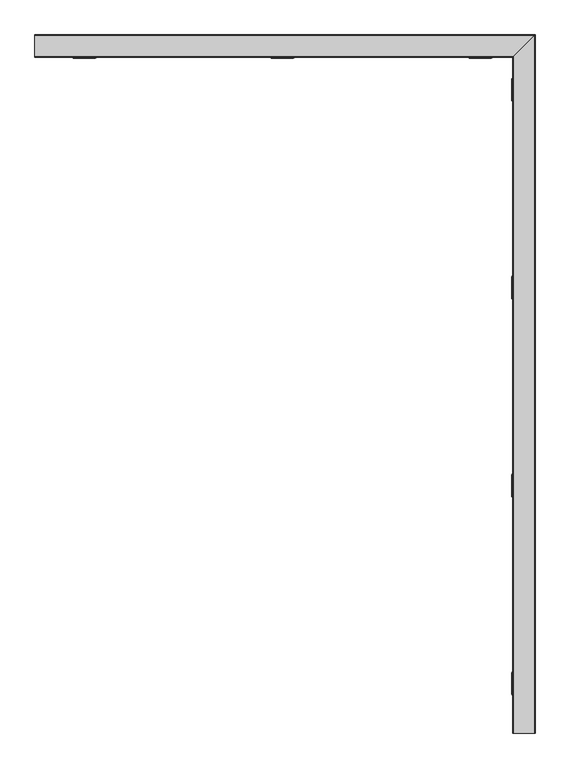
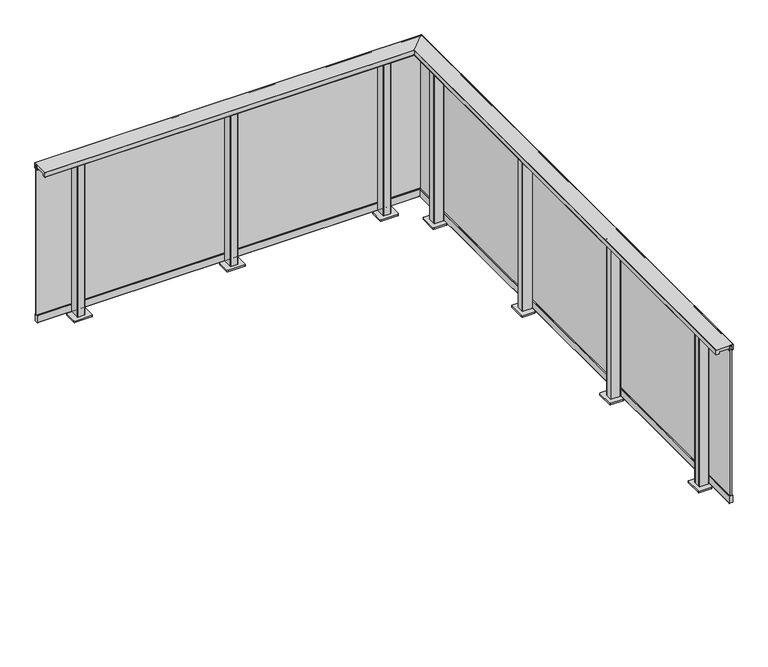
"""IFC4 building model written with IfcOpenShell, lengths in millimetres: railing geometry."""

from ifc_helpers import new_model, si_unit, point, frame, frame_2d, origin, origin_with_axes, place, context, project, spatial, polyline, circle_curve, ellipse_curve, trimmed, segment, composite_curve, outline, extrude, faceted_brep, source, transform, mapped, element, save
from ifc_brep_helpers import plane_surface, cylinder_surface, revolved_surface, advanced_brep


def railing_342966b4(model_context):
    return source(origin(), model_context, "Body", "SolidModel", [
        advanced_brep(
        [(14305.9819967, -14629.5008183, 1100.0), (14305.4819967, -14629.5008183, 1099.5), (14305.4819967, -14629.5008183, 1068.5), (14305.9819967, -14629.5008183, 1068.0), (14325.4819967, -14629.5008183, 1068.0), (14325.4819967, -14629.5008183, 1081.0), (14391.4819967, -14629.5008183, 1081.0), (14391.4819967, -14629.5008183, 1068.0), (14394.2819967, -14629.5008183, 1068.0), (14394.2819967, -14629.5008183, 1069.2), (14393.4819967, -14629.5008183, 1069.2), (14393.4819967, -14629.5008183, 1097.5), (14393.9819967, -14629.5008183, 1098.0), (14412.9819967, -14629.5008183, 1098.0), (14413.4819967, -14629.5008183, 1097.5), (14413.4819967, -14629.5008183, 1069.2), (14412.6819967, -14629.5008183, 1069.2), (14412.6819967, -14629.5008183, 1068.0), (14416.9819967, -14629.5008183, 1068.0), (14417.4819967, -14629.5008183, 1068.5), (14417.4819967, -14629.5008183, 1099.5), (14416.9819967, -14629.5008183, 1100.0), (14305.9819967, -11214.5008183, 1100.0), (14305.4819967, -11215.0008183, 1099.5), (14305.4819967, -11215.0008183, 1068.5), (14305.9819967, -11214.5008183, 1068.0), (14325.4819967, -11195.0008183, 1068.0), (14325.4819967, -11195.0008183, 1081.0), (14391.4819967, -11129.0008183, 1081.0), (14391.4819967, -11129.0008183, 1068.0), (14394.2819967, -11126.2008183, 1068.0), (14394.2819967, -11126.2008183, 1069.2), (14393.4819967, -11127.0008183, 1069.2), (14393.4819967, -11127.0008183, 1097.5), (14393.9819967, -11126.5008183, 1098.0), (14412.9819967, -11107.5008183, 1098.0), (14413.4819967, -11107.0008183, 1097.5), (14413.4819967, -11107.0008183, 1069.2), (14412.6819967, -11107.8008183, 1069.2), (14412.6819967, -11107.8008183, 1068.0), (14416.9819967, -11103.5008183, 1068.0), (14417.4819967, -11103.0008183, 1068.5), (14417.4819967, -11103.0008183, 1099.5), (14416.9819967, -11103.5008183, 1100.0), (11890.9819967, -11214.5008183, 1100.0), (11890.9819967, -11103.5008183, 1100.0), (11890.9819967, -11103.0008183, 1099.5), (11890.9819967, -11103.0008183, 1068.5), (11890.9819967, -11103.5008183, 1068.0), (11890.9819967, -11107.8008183, 1068.0), (11890.9819967, -11107.8008183, 1069.2), (11890.9819967, -11107.0008183, 1069.2), (11890.9819967, -11107.0008183, 1097.5), (11890.9819967, -11107.5008183, 1098.0), (11890.9819967, -11126.5008183, 1098.0), (11890.9819967, -11127.0008183, 1097.5), (11890.9819967, -11127.0008183, 1069.2), (11890.9819967, -11126.2008183, 1069.2), (11890.9819967, -11126.2008183, 1068.0), (11890.9819967, -11129.0008183, 1068.0), (11890.9819967, -11129.0008183, 1081.0), (11890.9819967, -11195.0008183, 1081.0), (11890.9819967, -11195.0008183, 1068.0), (11890.9819967, -11214.5008183, 1068.0), (11890.9819967, -11215.0008183, 1068.5), (11890.9819967, -11215.0008183, 1099.5)],
        [
            (0, 1, circle_curve(frame((14305.9819967, -14629.5008183, 1099.5), z_axis=(0.0, -1.0, 0.0), x_axis=(1.0, 0.0, 0.0)), 0.5)),
            (1, 2),
            (2, 3, circle_curve(frame((14305.9819967, -14629.5008183, 1068.5), z_axis=(0.0, -1.0, 0.0), x_axis=(1.0, 0.0, 0.0)), 0.5)),
            (3, 4),
            (4, 5),
            (5, 6),
            (6, 7),
            (7, 8),
            (8, 9),
            (9, 10),
            (10, 11),
            (11, 12, circle_curve(frame((14393.9819967, -14629.5008183, 1097.5), z_axis=(0.0, 1.0, 0.0), x_axis=(1.0, 0.0, 0.0)), 0.5)),
            (12, 13),
            (13, 14, circle_curve(frame((14412.9819967, -14629.5008183, 1097.5), z_axis=(0.0, 1.0, 0.0), x_axis=(1.0, 0.0, 0.0)), 0.5)),
            (14, 15),
            (15, 16),
            (16, 17),
            (17, 18),
            (18, 19, circle_curve(frame((14416.9819967, -14629.5008183, 1068.5), z_axis=(0.0, -1.0, 0.0), x_axis=(1.0, 0.0, 0.0)), 0.5)),
            (19, 20),
            (20, 21, circle_curve(frame((14416.9819967, -14629.5008183, 1099.5), z_axis=(0.0, -1.0, 0.0), x_axis=(1.0, 0.0, 0.0)), 0.5)),
            (21, 0),
            (0, 22),
            (22, 23, ellipse_curve(frame((14305.9819967, -11214.5008183, 1099.5), z_axis=(0.7071067811865467, -0.7071067811865482, 0.0), x_axis=(-0.7071067811865482, -0.7071067811865469, 0.0)), 0.7071068, 0.5)),
            (23, 1),
            (23, 24),
            (24, 2),
            (24, 25, ellipse_curve(frame((14305.9819967, -11214.5008183, 1068.5), z_axis=(0.7071067811865467, -0.7071067811865482, 0.0), x_axis=(-0.7071067811865482, -0.7071067811865469, 0.0)), 0.7071068, 0.5)),
            (25, 3),
            (25, 26),
            (26, 4),
            (26, 27),
            (27, 5),
            (27, 28),
            (28, 6),
            (28, 29),
            (29, 7),
            (29, 30),
            (30, 8),
            (30, 31),
            (31, 9),
            (31, 32),
            (32, 10),
            (32, 33),
            (33, 11),
            (33, 34, ellipse_curve(frame((14393.9819967, -11126.5008183, 1097.5), z_axis=(-0.7071067811865467, 0.7071067811865482, 0.0), x_axis=(0.7071067811865482, 0.7071067811865469, 0.0)), 0.7071068, 0.5)),
            (34, 12),
            (34, 35),
            (35, 13),
            (35, 36, ellipse_curve(frame((14412.9819967, -11107.5008183, 1097.5), z_axis=(-0.7071067811865467, 0.7071067811865482, 0.0), x_axis=(0.7071067811865482, 0.7071067811865469, 0.0)), 0.7071068, 0.5)),
            (36, 14),
            (36, 37),
            (37, 15),
            (37, 38),
            (38, 16),
            (38, 39),
            (39, 17),
            (39, 40),
            (40, 18),
            (40, 41, ellipse_curve(frame((14416.9819967, -11103.5008183, 1068.5), z_axis=(0.7071067811865467, -0.7071067811865482, 0.0), x_axis=(-0.7071067811865482, -0.7071067811865469, 0.0)), 0.7071068, 0.5)),
            (41, 19),
            (41, 42),
            (42, 20),
            (42, 43, ellipse_curve(frame((14416.9819967, -11103.5008183, 1099.5), z_axis=(0.7071067811865467, -0.7071067811865482, 0.0), x_axis=(-0.7071067811865482, -0.7071067811865469, 0.0)), 0.7071068, 0.5)),
            (43, 21),
            (43, 22),
            (44, 45),
            (45, 46, circle_curve(frame((11890.9819967, -11103.5008183, 1099.5), z_axis=(-1.0, 0.0, 0.0), x_axis=(0.0, 1.0, 0.0)), 0.5)),
            (46, 47),
            (47, 48, circle_curve(frame((11890.9819967, -11103.5008183, 1068.5), z_axis=(-1.0, 0.0, 0.0), x_axis=(0.0, 1.0, 0.0)), 0.5)),
            (48, 49),
            (49, 50),
            (50, 51),
            (51, 52),
            (52, 53, circle_curve(frame((11890.9819967, -11107.5008183, 1097.5), z_axis=(1.0, 0.0, 0.0), x_axis=(0.0, 1.0, 0.0)), 0.5)),
            (53, 54),
            (54, 55, circle_curve(frame((11890.9819967, -11126.5008183, 1097.5), z_axis=(1.0, 0.0, 0.0), x_axis=(0.0, 1.0, 0.0)), 0.5)),
            (55, 56),
            (56, 57),
            (57, 58),
            (58, 59),
            (59, 60),
            (60, 61),
            (61, 62),
            (62, 63),
            (63, 64, circle_curve(frame((11890.9819967, -11214.5008183, 1068.5), z_axis=(-1.0, 0.0, 0.0), x_axis=(0.0, 1.0, 0.0)), 0.5)),
            (64, 65),
            (65, 44, circle_curve(frame((11890.9819967, -11214.5008183, 1099.5), z_axis=(-1.0, 0.0, 0.0), x_axis=(0.0, 1.0, 0.0)), 0.5)),
            (22, 44),
            (65, 23),
            (64, 24),
            (63, 25),
            (62, 26),
            (61, 27),
            (60, 28),
            (59, 29),
            (58, 30),
            (57, 31),
            (56, 32),
            (55, 33),
            (54, 34),
            (53, 35),
            (52, 36),
            (51, 37),
            (50, 38),
            (49, 39),
            (48, 40),
            (47, 41),
            (46, 42),
            (45, 43),
        ],
        [
            plane_surface(frame((14358.4819967, -14629.5008183, 1100.0), z_axis=(0.0, -1.0, 0.0), x_axis=(0.0, 0.0, 1.0))),
            cylinder_surface(frame((14305.9819967, -14629.5008183, 1099.5), z_axis=(0.0, -1.0, 0.0), x_axis=(1.0, 0.0, 0.0)), 0.5),
            plane_surface(frame((14305.4819967, -14629.5008183, 1099.5), z_axis=(-1.0, 0.0, 0.0), x_axis=(0.0, 1.0, 0.0))),
            cylinder_surface(frame((14305.9819967, -14629.5008183, 1068.5), z_axis=(0.0, -1.0, 0.0), x_axis=(1.0, 0.0, 0.0)), 0.5),
            plane_surface(frame((14305.9819967, -14629.5008183, 1068.0), z_axis=(0.0, 0.0, -1.0), x_axis=(0.0, 1.0, 0.0))),
            plane_surface(frame((14325.4819967, -14629.5008183, 1068.0), z_axis=(1.0, 0.0, 0.0), x_axis=(0.0, 1.0, 0.0))),
            plane_surface(frame((14325.4819967, -14629.5008183, 1081.0), z_axis=(0.0, 0.0, -1.0), x_axis=(0.0, 1.0, 0.0))),
            plane_surface(frame((14391.4819967, -14629.5008183, 1081.0), z_axis=(-1.0, 0.0, 0.0), x_axis=(0.0, 1.0, 0.0))),
            plane_surface(frame((14391.4819967, -14629.5008183, 1068.0), z_axis=(0.0, 0.0, -1.0), x_axis=(0.0, 1.0, 0.0))),
            plane_surface(frame((14394.2819967, -14629.5008183, 1068.0), z_axis=(1.0, 0.0, 0.0), x_axis=(0.0, 1.0, 0.0))),
            plane_surface(frame((14394.2819967, -14629.5008183, 1069.2), z_axis=(0.0, 0.0, 1.0), x_axis=(0.0, 1.0, 0.0))),
            plane_surface(frame((14393.4819967, -14629.5008183, 1069.2), z_axis=(1.0, 0.0, 0.0), x_axis=(0.0, 1.0, 0.0))),
            revolved_surface(polyline([(14394.4819967, -11126.000818286699, 1097.5), (14394.4819967, -14629.5008183, 1097.5)]), (14393.9819967, -14629.5008183, 1097.5), (0.0, 1.0, 0.0)),
            plane_surface(frame((14393.9819967, -14629.5008183, 1098.0), z_axis=(0.0, 0.0, -1.0), x_axis=(0.0, 1.0, 0.0))),
            revolved_surface(polyline([(14413.4819967, -11107.000818286699, 1097.5), (14413.4819967, -14629.5008183, 1097.5)]), (14412.9819967, -14629.5008183, 1097.5), (0.0, 1.0, 0.0)),
            plane_surface(frame((14413.4819967, -14629.5008183, 1097.5), z_axis=(-1.0, 0.0, 0.0), x_axis=(0.0, 1.0, 0.0))),
            plane_surface(frame((14413.4819967, -14629.5008183, 1069.2), z_axis=(0.0, 0.0, 1.0), x_axis=(0.0, 1.0, 0.0))),
            plane_surface(frame((14412.6819967, -14629.5008183, 1069.2), z_axis=(-1.0, 0.0, 0.0), x_axis=(0.0, 1.0, 0.0))),
            plane_surface(frame((14412.6819967, -14629.5008183, 1068.0), z_axis=(0.0, 0.0, -1.0), x_axis=(0.0, 1.0, 0.0))),
            cylinder_surface(frame((14416.9819967, -14629.5008183, 1068.5), z_axis=(0.0, -1.0, 0.0), x_axis=(1.0, 0.0, 0.0)), 0.5),
            plane_surface(frame((14417.4819967, -14629.5008183, 1068.5), z_axis=(1.0, 0.0, 0.0), x_axis=(0.0, 1.0, 0.0))),
            cylinder_surface(frame((14416.9819967, -14629.5008183, 1099.5), z_axis=(0.0, -1.0, 0.0), x_axis=(1.0, 0.0, 0.0)), 0.5),
            plane_surface(frame((14416.9819967, -14629.5008183, 1100.0), z_axis=(0.0, 0.0, 1.0), x_axis=(0.0, 1.0, 0.0))),
            plane_surface(frame((11890.9819967, -11162.0008183, 1100.0), z_axis=(-1.0, 0.0, 0.0), x_axis=(0.0, -1.0, 0.0))),
            cylinder_surface(frame((14358.4819967, -11214.5008183, 1099.5), z_axis=(1.0, 0.0, 0.0), x_axis=(0.0, 1.0, 0.0)), 0.5),
            plane_surface(frame((14305.4819967, -11215.0008183, 1099.5), z_axis=(0.0, -1.0, 0.0), x_axis=(-1.0, 0.0, 0.0))),
            cylinder_surface(frame((14358.4819967, -11214.5008183, 1068.5), z_axis=(1.0, 0.0, 0.0), x_axis=(0.0, 1.0, 0.0)), 0.5),
            plane_surface(frame((14305.9819967, -11214.5008183, 1068.0), z_axis=(0.0, 0.0, -1.0), x_axis=(-1.0, 0.0, 0.0))),
            plane_surface(frame((14325.4819967, -11195.0008183, 1068.0), z_axis=(0.0, 1.0, 0.0), x_axis=(-1.0, 0.0, 0.0))),
            plane_surface(frame((14325.4819967, -11195.0008183, 1081.0), z_axis=(0.0, 0.0, -1.0), x_axis=(-1.0, 0.0, 0.0))),
            plane_surface(frame((14391.4819967, -11129.0008183, 1081.0), z_axis=(0.0, -1.0, 0.0), x_axis=(-1.0, 0.0, 0.0))),
            plane_surface(frame((14391.4819967, -11129.0008183, 1068.0), z_axis=(0.0, 0.0, -1.0), x_axis=(-1.0, 0.0, 0.0))),
            plane_surface(frame((14394.2819967, -11126.2008183, 1068.0), z_axis=(0.0, 1.0, 0.0), x_axis=(-1.0, 0.0, 0.0))),
            plane_surface(frame((14394.2819967, -11126.2008183, 1069.2), z_axis=(0.0, 0.0, 1.0), x_axis=(-1.0, 0.0, 0.0))),
            plane_surface(frame((14393.4819967, -11127.0008183, 1069.2), z_axis=(0.0, 1.0, 0.0), x_axis=(-1.0, 0.0, 0.0))),
            revolved_surface(polyline([(11890.9819967, -11126.0008183, 1097.5), (14394.481996713303, -11126.0008183, 1097.5)]), (14358.4819967, -11126.5008183, 1097.5), (-1.0, 0.0, 0.0)),
            plane_surface(frame((14393.9819967, -11126.5008183, 1098.0), z_axis=(0.0, 0.0, -1.0), x_axis=(-1.0, 0.0, 0.0))),
            revolved_surface(polyline([(11890.9819967, -11107.0008183, 1097.5), (14413.481996713303, -11107.0008183, 1097.5)]), (14358.4819967, -11107.5008183, 1097.5), (-1.0, 0.0, 0.0)),
            plane_surface(frame((14413.4819967, -11107.0008183, 1097.5), z_axis=(0.0, -1.0, 0.0), x_axis=(-1.0, 0.0, 0.0))),
            plane_surface(frame((14413.4819967, -11107.0008183, 1069.2), z_axis=(0.0, 0.0, 1.0), x_axis=(-1.0, 0.0, 0.0))),
            plane_surface(frame((14412.6819967, -11107.8008183, 1069.2), z_axis=(0.0, -1.0, 0.0), x_axis=(-1.0, 0.0, 0.0))),
            plane_surface(frame((14412.6819967, -11107.8008183, 1068.0), z_axis=(0.0, 0.0, -1.0), x_axis=(-1.0, 0.0, 0.0))),
            cylinder_surface(frame((14358.4819967, -11103.5008183, 1068.5), z_axis=(1.0, 0.0, 0.0), x_axis=(0.0, 1.0, 0.0)), 0.5),
            plane_surface(frame((14417.4819967, -11103.0008183, 1068.5), z_axis=(0.0, 1.0, 0.0), x_axis=(-1.0, 0.0, 0.0))),
            cylinder_surface(frame((14358.4819967, -11103.5008183, 1099.5), z_axis=(1.0, 0.0, 0.0), x_axis=(0.0, 1.0, 0.0)), 0.5),
            plane_surface(frame((14416.9819967, -11103.5008183, 1100.0), z_axis=(0.0, 0.0, 1.0), x_axis=(-1.0, 0.0, 0.0))),
        ],
        [
            (0, [[1, 2, 3, 4, 5, 6, 7, 8, 9, 10, 11, 12, 13, 14, 15, 16, 17, 18, 19, 20, 21, 22]]),
            (1, [[-1, 23, 24, 25]]),
            (2, [[-2, -25, 26, 27]]),
            (3, [[-3, -27, 28, 29]]),
            (4, [[-4, -29, 30, 31]]),
            (5, [[-5, -31, 32, 33]]),
            (6, [[-6, -33, 34, 35]]),
            (7, [[-7, -35, 36, 37]]),
            (8, [[-8, -37, 38, 39]]),
            (9, [[-9, -39, 40, 41]]),
            (10, [[-10, -41, 42, 43]]),
            (11, [[-11, -43, 44, 45]]),
            (12, [[-12, -45, 46, 47]]),
            (13, [[-13, -47, 48, 49]]),
            (14, [[-14, -49, 50, 51]]),
            (15, [[-15, -51, 52, 53]]),
            (16, [[-16, -53, 54, 55]]),
            (17, [[-17, -55, 56, 57]]),
            (18, [[-18, -57, 58, 59]]),
            (19, [[-19, -59, 60, 61]]),
            (20, [[-20, -61, 62, 63]]),
            (21, [[-21, -63, 64, 65]]),
            (22, [[-22, -65, 66, -23]]),
            (23, [[67, 68, 69, 70, 71, 72, 73, 74, 75, 76, 77, 78, 79, 80, 81, 82, 83, 84, 85, 86, 87, 88]]),
            (24, [[-24, 89, -88, 90]]),
            (25, [[-26, -90, -87, 91]]),
            (26, [[-28, -91, -86, 92]]),
            (27, [[-30, -92, -85, 93]]),
            (28, [[-32, -93, -84, 94]]),
            (29, [[-34, -94, -83, 95]]),
            (30, [[-36, -95, -82, 96]]),
            (31, [[-38, -96, -81, 97]]),
            (32, [[-40, -97, -80, 98]]),
            (33, [[-42, -98, -79, 99]]),
            (34, [[-44, -99, -78, 100]]),
            (35, [[-46, -100, -77, 101]]),
            (36, [[-48, -101, -76, 102]]),
            (37, [[-50, -102, -75, 103]]),
            (38, [[-52, -103, -74, 104]]),
            (39, [[-54, -104, -73, 105]]),
            (40, [[-56, -105, -72, 106]]),
            (41, [[-58, -106, -71, 107]]),
            (42, [[-60, -107, -70, 108]]),
            (43, [[-62, -108, -69, 109]]),
            (44, [[-64, -109, -68, 110]]),
            (45, [[-66, -110, -67, -89]]),
        ],
    ),
        faceted_brep([(14407.4819967, -14629.5008183, 1090.0), (14399.4819967, -14629.5008183, 1090.0), (14399.4819967, -14629.5008183, 60.0), (14407.4819967, -14629.5008183, 60.0), (14407.4819967, -11113.0008183, 1090.0), (14399.4819967, -11121.0008183, 1090.0), (14399.4819967, -11121.0008183, 60.0), (14407.4819967, -11113.0008183, 60.0), (11890.9819967, -11113.0008183, 1090.0), (11890.9819967, -11113.0008183, 60.0), (11890.9819967, -11121.0008183, 60.0), (11890.9819967, -11121.0008183, 1090.0)], [[[0, 1, 2, 3]], [[1, 0, 4, 5]], [[2, 1, 5, 6]], [[3, 2, 6, 7]], [[0, 3, 7, 4]], [[8, 9, 10, 11]], [[5, 4, 8, 11]], [[6, 5, 11, 10]], [[7, 6, 10, 9]], [[4, 7, 9, 8]]]),
        faceted_brep([(14394.1692541, -14629.5008183, 1067.2160621), (14393.1441664, -14629.5008183, 1067.2160621), (14393.1441664, -14629.5008183, 1065.6627783), (14399.4819967, -14629.5008183, 1063.8454347), (14399.4819967, -14629.5008183, 1074.0), (14394.1692541, -14629.5008183, 1076.1464874), (14394.1692541, -11126.313561, 1067.2160621), (14393.1441664, -11127.3386487, 1067.2160621), (14393.1441664, -11127.3386487, 1065.6627783), (14399.4819967, -11121.0008183, 1063.8454347), (14399.4819967, -11121.0008183, 1074.0), (14394.1692541, -11126.313561, 1076.1464874), (11890.9819967, -11126.313561, 1067.2160621), (11890.9819967, -11126.313561, 1076.1464874), (11890.9819967, -11121.0008183, 1074.0), (11890.9819967, -11121.0008183, 1063.8454347), (11890.9819967, -11127.3386487, 1065.6627783), (11890.9819967, -11127.3386487, 1067.2160621)], [[[0, 1, 2, 3, 4, 5]], [[1, 0, 6, 7]], [[2, 1, 7, 8]], [[3, 2, 8, 9]], [[4, 3, 9, 10]], [[5, 4, 10, 11]], [[0, 5, 11, 6]], [[12, 13, 14, 15, 16, 17]], [[7, 6, 12, 17]], [[8, 7, 17, 16]], [[9, 8, 16, 15]], [[10, 9, 15, 14]], [[11, 10, 14, 13]], [[6, 11, 13, 12]]]),
        faceted_brep([(14412.7947394, -14629.5008183, 1067.2160621), (14412.7947394, -14629.5008183, 1076.1464874), (14407.4819967, -14629.5008183, 1074.0), (14407.4819967, -14629.5008183, 1063.8454347), (14413.8198271, -14629.5008183, 1065.6627783), (14413.8198271, -14629.5008183, 1067.2160621), (14412.7947394, -11107.6880757, 1067.2160621), (14412.7947394, -11107.6880757, 1076.1464874), (14407.4819967, -11113.0008183, 1074.0), (14407.4819967, -11113.0008183, 1063.8454347), (14413.8198271, -11106.662988, 1065.6627783), (14413.8198271, -11106.662988, 1067.2160621), (11890.9819967, -11107.6880757, 1067.2160621), (11890.9819967, -11106.662988, 1067.2160621), (11890.9819967, -11106.662988, 1065.6627783), (11890.9819967, -11113.0008183, 1063.8454347), (11890.9819967, -11113.0008183, 1074.0), (11890.9819967, -11107.6880757, 1076.1464874)], [[[0, 1, 2, 3, 4, 5]], [[1, 0, 6, 7]], [[2, 1, 7, 8]], [[3, 2, 8, 9]], [[4, 3, 9, 10]], [[5, 4, 10, 11]], [[0, 5, 11, 6]], [[12, 13, 14, 15, 16, 17]], [[7, 6, 12, 17]], [[8, 7, 17, 16]], [[9, 8, 16, 15]], [[10, 9, 15, 14]], [[11, 10, 14, 13]], [[6, 11, 13, 12]]]),
        advanced_brep(
        [(14414.9819967, -14629.5008183, 10.0), (14415.4819967, -14629.5008183, 10.5), (14415.4819967, -14629.5008183, 59.5), (14414.9819967, -14629.5008183, 60.0), (14391.9819967, -14629.5008183, 60.0), (14391.4819967, -14629.5008183, 59.5), (14391.4819967, -14629.5008183, 10.5), (14391.9819967, -14629.5008183, 10.0), (14414.9819967, -11105.5008183, 10.0), (14415.4819967, -11105.0008183, 10.5), (14415.4819967, -11105.0008183, 59.5), (14414.9819967, -11105.5008183, 60.0), (14391.9819967, -11128.5008183, 60.0), (14391.4819967, -11129.0008183, 59.5), (14391.4819967, -11129.0008183, 10.5), (14391.9819967, -11128.5008183, 10.0), (11890.9819967, -11105.5008183, 10.0), (11890.9819967, -11128.5008183, 10.0), (11890.9819967, -11129.0008183, 10.5), (11890.9819967, -11129.0008183, 59.5), (11890.9819967, -11128.5008183, 60.0), (11890.9819967, -11105.5008183, 60.0), (11890.9819967, -11105.0008183, 59.5), (11890.9819967, -11105.0008183, 10.5)],
        [
            (0, 1, circle_curve(frame((14414.9819967, -14629.5008183, 10.5), z_axis=(0.0, -1.0, 0.0), x_axis=(1.0, 0.0, 0.0)), 0.5)),
            (1, 2),
            (2, 3, circle_curve(frame((14414.9819967, -14629.5008183, 59.5), z_axis=(0.0, -1.0, 0.0), x_axis=(1.0, 0.0, 0.0)), 0.5)),
            (3, 4),
            (4, 5, circle_curve(frame((14391.9819967, -14629.5008183, 59.5), z_axis=(0.0, -1.0, 0.0), x_axis=(1.0, 0.0, 0.0)), 0.5)),
            (5, 6),
            (6, 7, circle_curve(frame((14391.9819967, -14629.5008183, 10.5), z_axis=(0.0, -1.0, 0.0), x_axis=(1.0, 0.0, 0.0)), 0.5)),
            (7, 0),
            (0, 8),
            (8, 9, ellipse_curve(frame((14414.9819967, -11105.5008183, 10.5), z_axis=(0.7071067811865467, -0.7071067811865482, 0.0), x_axis=(-0.7071067811865482, -0.7071067811865469, 0.0)), 0.7071068, 0.5)),
            (9, 1),
            (9, 10),
            (10, 2),
            (10, 11, ellipse_curve(frame((14414.9819967, -11105.5008183, 59.5), z_axis=(0.7071067811865467, -0.7071067811865482, 0.0), x_axis=(-0.7071067811865482, -0.7071067811865469, 0.0)), 0.7071068, 0.5)),
            (11, 3),
            (11, 12),
            (12, 4),
            (12, 13, ellipse_curve(frame((14391.9819967, -11128.5008183, 59.5), z_axis=(0.7071067811865467, -0.7071067811865482, 0.0), x_axis=(-0.7071067811865482, -0.7071067811865469, 0.0)), 0.7071068, 0.5)),
            (13, 5),
            (13, 14),
            (14, 6),
            (14, 15, ellipse_curve(frame((14391.9819967, -11128.5008183, 10.5), z_axis=(0.7071067811865467, -0.7071067811865482, 0.0), x_axis=(-0.7071067811865482, -0.7071067811865469, 0.0)), 0.7071068, 0.5)),
            (15, 7),
            (15, 8),
            (16, 17),
            (17, 18, circle_curve(frame((11890.9819967, -11128.5008183, 10.5), z_axis=(-1.0, 0.0, 0.0), x_axis=(0.0, 1.0, 0.0)), 0.5)),
            (18, 19),
            (19, 20, circle_curve(frame((11890.9819967, -11128.5008183, 59.5), z_axis=(-1.0, 0.0, 0.0), x_axis=(0.0, 1.0, 0.0)), 0.5)),
            (20, 21),
            (21, 22, circle_curve(frame((11890.9819967, -11105.5008183, 59.5), z_axis=(-1.0, 0.0, 0.0), x_axis=(0.0, 1.0, 0.0)), 0.5)),
            (22, 23),
            (23, 16, circle_curve(frame((11890.9819967, -11105.5008183, 10.5), z_axis=(-1.0, 0.0, 0.0), x_axis=(0.0, 1.0, 0.0)), 0.5)),
            (8, 16),
            (23, 9),
            (22, 10),
            (21, 11),
            (20, 12),
            (19, 13),
            (18, 14),
            (17, 15),
        ],
        [
            plane_surface(frame((14403.4819967, -14629.5008183, 10.0), z_axis=(0.0, -1.0, 0.0), x_axis=(0.0, 0.0, 1.0))),
            cylinder_surface(frame((14414.9819967, -14629.5008183, 10.5), z_axis=(0.0, -1.0, 0.0), x_axis=(1.0, 0.0, 0.0)), 0.5),
            plane_surface(frame((14415.4819967, -14629.5008183, 10.5), z_axis=(1.0, 0.0, 0.0), x_axis=(0.0, 1.0, 0.0))),
            cylinder_surface(frame((14414.9819967, -14629.5008183, 59.5), z_axis=(0.0, -1.0, 0.0), x_axis=(1.0, 0.0, 0.0)), 0.5),
            plane_surface(frame((14414.9819967, -14629.5008183, 60.0), z_axis=(0.0, 0.0, 1.0), x_axis=(0.0, 1.0, 0.0))),
            cylinder_surface(frame((14391.9819967, -14629.5008183, 59.5), z_axis=(0.0, -1.0, 0.0), x_axis=(1.0, 0.0, 0.0)), 0.5),
            plane_surface(frame((14391.4819967, -14629.5008183, 59.5), z_axis=(-1.0, 0.0, 0.0), x_axis=(0.0, 1.0, 0.0))),
            cylinder_surface(frame((14391.9819967, -14629.5008183, 10.5), z_axis=(0.0, -1.0, 0.0), x_axis=(1.0, 0.0, 0.0)), 0.5),
            plane_surface(frame((14391.9819967, -14629.5008183, 10.0), z_axis=(0.0, 0.0, -1.0), x_axis=(0.0, 1.0, 0.0))),
            plane_surface(frame((11890.9819967, -11117.0008183, 10.0), z_axis=(-1.0, 0.0, 0.0), x_axis=(0.0, -1.0, 0.0))),
            cylinder_surface(frame((14403.4819967, -11105.5008183, 10.5), z_axis=(1.0, 0.0, 0.0), x_axis=(0.0, 1.0, 0.0)), 0.5),
            plane_surface(frame((14415.4819967, -11105.0008183, 10.5), z_axis=(0.0, 1.0, 0.0), x_axis=(-1.0, 0.0, 0.0))),
            cylinder_surface(frame((14403.4819967, -11105.5008183, 59.5), z_axis=(1.0, 0.0, 0.0), x_axis=(0.0, 1.0, 0.0)), 0.5),
            plane_surface(frame((14414.9819967, -11105.5008183, 60.0), z_axis=(0.0, 0.0, 1.0), x_axis=(-1.0, 0.0, 0.0))),
            cylinder_surface(frame((14403.4819967, -11128.5008183, 59.5), z_axis=(1.0, 0.0, 0.0), x_axis=(0.0, 1.0, 0.0)), 0.5),
            plane_surface(frame((14391.4819967, -11129.0008183, 59.5), z_axis=(0.0, -1.0, 0.0), x_axis=(-1.0, 0.0, 0.0))),
            cylinder_surface(frame((14403.4819967, -11128.5008183, 10.5), z_axis=(1.0, 0.0, 0.0), x_axis=(0.0, 1.0, 0.0)), 0.5),
            plane_surface(frame((14391.9819967, -11128.5008183, 10.0), z_axis=(0.0, 0.0, -1.0), x_axis=(-1.0, 0.0, 0.0))),
        ],
        [
            (0, [[1, 2, 3, 4, 5, 6, 7, 8]]),
            (1, [[-1, 9, 10, 11]]),
            (2, [[-2, -11, 12, 13]]),
            (3, [[-3, -13, 14, 15]]),
            (4, [[-4, -15, 16, 17]]),
            (5, [[-5, -17, 18, 19]]),
            (6, [[-6, -19, 20, 21]]),
            (7, [[-7, -21, 22, 23]]),
            (8, [[-8, -23, 24, -9]]),
            (9, [[25, 26, 27, 28, 29, 30, 31, 32]]),
            (10, [[-10, 33, -32, 34]]),
            (11, [[-12, -34, -31, 35]]),
            (12, [[-14, -35, -30, 36]]),
            (13, [[-16, -36, -29, 37]]),
            (14, [[-18, -37, -28, 38]]),
            (15, [[-20, -38, -27, 39]]),
            (16, [[-22, -39, -26, 40]]),
            (17, [[-24, -40, -25, -33]]),
        ],
    ),
        extrude(outline(composite_curve([segment(trimmed(circle_curve(frame_2d((12163.5245384, -11192.0008183)), 2.5), [point((12166.0245384, -11192.0008183))], [point((12163.5245384, -11194.5008183))], False, "CARTESIAN"), True, "CONTINUOUS"), segment(polyline([(12163.5245384, -11194.5008183), (12118.5245384, -11194.5008183)]), True, "CONTINUOUS"), segment(trimmed(circle_curve(frame_2d((12118.5245384, -11192.0008183)), 2.5), [point((12118.5245384, -11194.5008183))], [point((12116.0245384, -11192.0008183))], False, "CARTESIAN"), True, "CONTINUOUS"), segment(polyline([(12116.0245384, -11192.0008183), (12116.0245384, -11132.0008183)]), True, "CONTINUOUS"), segment(trimmed(circle_curve(frame_2d((12118.5245384, -11132.0008183)), 2.5), [point((12116.0245384, -11132.0008183))], [point((12118.5245384, -11129.5008183))], False, "CARTESIAN"), True, "CONTINUOUS"), segment(polyline([(12118.5245384, -11129.5008183), (12163.5245384, -11129.5008183)]), True, "CONTINUOUS"), segment(trimmed(circle_curve(frame_2d((12163.5245384, -11132.0008183)), 2.5), [point((12163.5245384, -11129.5008183))], [point((12166.0245384, -11132.0008183))], False, "CARTESIAN"), True, "CONTINUOUS"), segment(polyline([(12166.0245384, -11132.0008183), (12166.0245384, -11192.0008183)]), True, "CONTINUOUS")], self_intersect=False)), frame((0.0, 0.0, 10.0), z_axis=(0.0, 0.0, 1.0), x_axis=(1.0, 0.0, 0.0)), (0.0, 0.0, 1.0), 1081.0),
        extrude(outline(composite_curve([segment(trimmed(circle_curve(frame_2d((12195.9819967, -11214.6061483)), 5.0), [point((12200.9819967, -11214.6061483))], [point((12195.9819967, -11219.6061483))], False, "CARTESIAN"), True, "CONTINUOUS"), segment(polyline([(12195.9819967, -11219.6061483), (12086.1755136, -11219.6061483)]), True, "CONTINUOUS"), segment(trimmed(circle_curve(frame_2d((12086.1755136, -11214.6061483)), 5.0), [point((12086.1755136, -11219.6061483))], [point((12081.1755136, -11214.6061483))], False, "CARTESIAN"), True, "CONTINUOUS"), segment(polyline([(12081.1755136, -11214.6061483), (12081.1755136, -11134.5008183)]), True, "CONTINUOUS"), segment(trimmed(circle_curve(frame_2d((12086.1755136, -11134.5008183)), 5.0), [point((12081.1755136, -11134.5008183))], [point((12086.1755136, -11129.5008183))], False, "CARTESIAN"), True, "CONTINUOUS"), segment(polyline([(12086.1755136, -11129.5008183), (12195.9819967, -11129.5008183)]), True, "CONTINUOUS"), segment(trimmed(circle_curve(frame_2d((12195.9819967, -11134.5008183)), 5.0), [point((12195.9819967, -11129.5008183))], [point((12200.9819967, -11134.5008183))], False, "CARTESIAN"), True, "CONTINUOUS"), segment(polyline([(12200.9819967, -11134.5008183), (12200.9819967, -11214.6061483)]), True, "CONTINUOUS")], self_intersect=False)), origin_with_axes(), (0.0, 0.0, 1.0), 10.0),
        extrude(outline(composite_curve([segment(trimmed(circle_curve(frame_2d((13163.5245384, -11192.0008183)), 2.5), [point((13166.0245384, -11192.0008183))], [point((13163.5245384, -11194.5008183))], False, "CARTESIAN"), True, "CONTINUOUS"), segment(polyline([(13163.5245384, -11194.5008183), (13118.5245384, -11194.5008183)]), True, "CONTINUOUS"), segment(trimmed(circle_curve(frame_2d((13118.5245384, -11192.0008183)), 2.5), [point((13118.5245384, -11194.5008183))], [point((13116.0245384, -11192.0008183))], False, "CARTESIAN"), True, "CONTINUOUS"), segment(polyline([(13116.0245384, -11192.0008183), (13116.0245384, -11132.0008183)]), True, "CONTINUOUS"), segment(trimmed(circle_curve(frame_2d((13118.5245384, -11132.0008183)), 2.5), [point((13116.0245384, -11132.0008183))], [point((13118.5245384, -11129.5008183))], False, "CARTESIAN"), True, "CONTINUOUS"), segment(polyline([(13118.5245384, -11129.5008183), (13163.5245384, -11129.5008183)]), True, "CONTINUOUS"), segment(trimmed(circle_curve(frame_2d((13163.5245384, -11132.0008183)), 2.5), [point((13163.5245384, -11129.5008183))], [point((13166.0245384, -11132.0008183))], False, "CARTESIAN"), True, "CONTINUOUS"), segment(polyline([(13166.0245384, -11132.0008183), (13166.0245384, -11192.0008183)]), True, "CONTINUOUS")], self_intersect=False)), frame((0.0, 0.0, 10.0), z_axis=(0.0, 0.0, 1.0), x_axis=(1.0, 0.0, 0.0)), (0.0, 0.0, 1.0), 1081.0),
        extrude(outline(composite_curve([segment(trimmed(circle_curve(frame_2d((13195.9819967, -11214.6061483)), 5.0), [point((13200.9819967, -11214.6061483))], [point((13195.9819967, -11219.6061483))], False, "CARTESIAN"), True, "CONTINUOUS"), segment(polyline([(13195.9819967, -11219.6061483), (13086.1755136, -11219.6061483)]), True, "CONTINUOUS"), segment(trimmed(circle_curve(frame_2d((13086.1755136, -11214.6061483)), 5.0), [point((13086.1755136, -11219.6061483))], [point((13081.1755136, -11214.6061483))], False, "CARTESIAN"), True, "CONTINUOUS"), segment(polyline([(13081.1755136, -11214.6061483), (13081.1755136, -11134.5008183)]), True, "CONTINUOUS"), segment(trimmed(circle_curve(frame_2d((13086.1755136, -11134.5008183)), 5.0), [point((13081.1755136, -11134.5008183))], [point((13086.1755136, -11129.5008183))], False, "CARTESIAN"), True, "CONTINUOUS"), segment(polyline([(13086.1755136, -11129.5008183), (13195.9819967, -11129.5008183)]), True, "CONTINUOUS"), segment(trimmed(circle_curve(frame_2d((13195.9819967, -11134.5008183)), 5.0), [point((13195.9819967, -11129.5008183))], [point((13200.9819967, -11134.5008183))], False, "CARTESIAN"), True, "CONTINUOUS"), segment(polyline([(13200.9819967, -11134.5008183), (13200.9819967, -11214.6061483)]), True, "CONTINUOUS")], self_intersect=False)), origin_with_axes(), (0.0, 0.0, 1.0), 10.0),
        extrude(outline(composite_curve([segment(trimmed(circle_curve(frame_2d((14163.5245384, -11192.0008183)), 2.5), [point((14166.0245384, -11192.0008183))], [point((14163.5245384, -11194.5008183))], False, "CARTESIAN"), True, "CONTINUOUS"), segment(polyline([(14163.5245384, -11194.5008183), (14118.5245384, -11194.5008183)]), True, "CONTINUOUS"), segment(trimmed(circle_curve(frame_2d((14118.5245384, -11192.0008183)), 2.5), [point((14118.5245384, -11194.5008183))], [point((14116.0245384, -11192.0008183))], False, "CARTESIAN"), True, "CONTINUOUS"), segment(polyline([(14116.0245384, -11192.0008183), (14116.0245384, -11132.0008183)]), True, "CONTINUOUS"), segment(trimmed(circle_curve(frame_2d((14118.5245384, -11132.0008183)), 2.5), [point((14116.0245384, -11132.0008183))], [point((14118.5245384, -11129.5008183))], False, "CARTESIAN"), True, "CONTINUOUS"), segment(polyline([(14118.5245384, -11129.5008183), (14163.5245384, -11129.5008183)]), True, "CONTINUOUS"), segment(trimmed(circle_curve(frame_2d((14163.5245384, -11132.0008183)), 2.5), [point((14163.5245384, -11129.5008183))], [point((14166.0245384, -11132.0008183))], False, "CARTESIAN"), True, "CONTINUOUS"), segment(polyline([(14166.0245384, -11132.0008183), (14166.0245384, -11192.0008183)]), True, "CONTINUOUS")], self_intersect=False)), frame((0.0, 0.0, 10.0), z_axis=(0.0, 0.0, 1.0), x_axis=(1.0, 0.0, 0.0)), (0.0, 0.0, 1.0), 1081.0),
        extrude(outline(composite_curve([segment(trimmed(circle_curve(frame_2d((14195.9819967, -11214.6061483)), 5.0), [point((14200.9819967, -11214.6061483))], [point((14195.9819967, -11219.6061483))], False, "CARTESIAN"), True, "CONTINUOUS"), segment(polyline([(14195.9819967, -11219.6061483), (14086.1755136, -11219.6061483)]), True, "CONTINUOUS"), segment(trimmed(circle_curve(frame_2d((14086.1755136, -11214.6061483)), 5.0), [point((14086.1755136, -11219.6061483))], [point((14081.1755136, -11214.6061483))], False, "CARTESIAN"), True, "CONTINUOUS"), segment(polyline([(14081.1755136, -11214.6061483), (14081.1755136, -11134.5008183)]), True, "CONTINUOUS"), segment(trimmed(circle_curve(frame_2d((14086.1755136, -11134.5008183)), 5.0), [point((14081.1755136, -11134.5008183))], [point((14086.1755136, -11129.5008183))], False, "CARTESIAN"), True, "CONTINUOUS"), segment(polyline([(14086.1755136, -11129.5008183), (14195.9819967, -11129.5008183)]), True, "CONTINUOUS"), segment(trimmed(circle_curve(frame_2d((14195.9819967, -11134.5008183)), 5.0), [point((14195.9819967, -11129.5008183))], [point((14200.9819967, -11134.5008183))], False, "CARTESIAN"), True, "CONTINUOUS"), segment(polyline([(14200.9819967, -11134.5008183), (14200.9819967, -11214.6061483)]), True, "CONTINUOUS")], self_intersect=False)), origin_with_axes(), (0.0, 0.0, 1.0), 10.0),
        extrude(outline(composite_curve([segment(trimmed(circle_curve(frame_2d((14328.4819967, -11402.04336)), 2.5), [point((14328.4819967, -11404.54336))], [point((14325.9819967, -11402.04336))], False, "CARTESIAN"), True, "CONTINUOUS"), segment(polyline([(14325.9819967, -11402.04336), (14325.9819967, -11357.04336)]), True, "CONTINUOUS"), segment(trimmed(circle_curve(frame_2d((14328.4819967, -11357.04336)), 2.5), [point((14325.9819967, -11357.04336))], [point((14328.4819967, -11354.54336))], False, "CARTESIAN"), True, "CONTINUOUS"), segment(polyline([(14328.4819967, -11354.54336), (14388.4819967, -11354.54336)]), True, "CONTINUOUS"), segment(trimmed(circle_curve(frame_2d((14388.4819967, -11357.04336)), 2.5), [point((14388.4819967, -11354.54336))], [point((14390.9819967, -11357.04336))], False, "CARTESIAN"), True, "CONTINUOUS"), segment(polyline([(14390.9819967, -11357.04336), (14390.9819967, -11402.04336)]), True, "CONTINUOUS"), segment(trimmed(circle_curve(frame_2d((14388.4819967, -11402.04336)), 2.5), [point((14390.9819967, -11402.04336))], [point((14388.4819967, -11404.54336))], False, "CARTESIAN"), True, "CONTINUOUS"), segment(polyline([(14388.4819967, -11404.54336), (14328.4819967, -11404.54336)]), True, "CONTINUOUS")], self_intersect=False)), frame((0.0, 0.0, 10.0), z_axis=(0.0, 0.0, 1.0), x_axis=(1.0, 0.0, 0.0)), (0.0, 0.0, 1.0), 1081.0),
        extrude(outline(composite_curve([segment(trimmed(circle_curve(frame_2d((14305.8766668, -11434.5008183)), 5.0), [point((14305.8766668, -11439.5008183))], [point((14300.8766668, -11434.5008183))], False, "CARTESIAN"), True, "CONTINUOUS"), segment(polyline([(14300.8766668, -11434.5008183), (14300.8766668, -11324.6943352)]), True, "CONTINUOUS"), segment(trimmed(circle_curve(frame_2d((14305.8766668, -11324.6943352)), 5.0), [point((14300.8766668, -11324.6943352))], [point((14305.8766668, -11319.6943352))], False, "CARTESIAN"), True, "CONTINUOUS"), segment(polyline([(14305.8766668, -11319.6943352), (14385.9819967, -11319.6943352)]), True, "CONTINUOUS"), segment(trimmed(circle_curve(frame_2d((14385.9819967, -11324.6943352)), 5.0), [point((14385.9819967, -11319.6943352))], [point((14390.9819967, -11324.6943352))], False, "CARTESIAN"), True, "CONTINUOUS"), segment(polyline([(14390.9819967, -11324.6943352), (14390.9819967, -11434.5008183)]), True, "CONTINUOUS"), segment(trimmed(circle_curve(frame_2d((14385.9819967, -11434.5008183)), 5.0), [point((14390.9819967, -11434.5008183))], [point((14385.9819967, -11439.5008183))], False, "CARTESIAN"), True, "CONTINUOUS"), segment(polyline([(14385.9819967, -11439.5008183), (14305.8766668, -11439.5008183)]), True, "CONTINUOUS")], self_intersect=False)), origin_with_axes(), (0.0, 0.0, 1.0), 10.0),
        extrude(outline(composite_curve([segment(trimmed(circle_curve(frame_2d((14328.4819967, -12402.04336)), 2.5), [point((14328.4819967, -12404.54336))], [point((14325.9819967, -12402.04336))], False, "CARTESIAN"), True, "CONTINUOUS"), segment(polyline([(14325.9819967, -12402.04336), (14325.9819967, -12357.04336)]), True, "CONTINUOUS"), segment(trimmed(circle_curve(frame_2d((14328.4819967, -12357.04336)), 2.5), [point((14325.9819967, -12357.04336))], [point((14328.4819967, -12354.54336))], False, "CARTESIAN"), True, "CONTINUOUS"), segment(polyline([(14328.4819967, -12354.54336), (14388.4819967, -12354.54336)]), True, "CONTINUOUS"), segment(trimmed(circle_curve(frame_2d((14388.4819967, -12357.04336)), 2.5), [point((14388.4819967, -12354.54336))], [point((14390.9819967, -12357.04336))], False, "CARTESIAN"), True, "CONTINUOUS"), segment(polyline([(14390.9819967, -12357.04336), (14390.9819967, -12402.04336)]), True, "CONTINUOUS"), segment(trimmed(circle_curve(frame_2d((14388.4819967, -12402.04336)), 2.5), [point((14390.9819967, -12402.04336))], [point((14388.4819967, -12404.54336))], False, "CARTESIAN"), True, "CONTINUOUS"), segment(polyline([(14388.4819967, -12404.54336), (14328.4819967, -12404.54336)]), True, "CONTINUOUS")], self_intersect=False)), frame((0.0, 0.0, 10.0), z_axis=(0.0, 0.0, 1.0), x_axis=(1.0, 0.0, 0.0)), (0.0, 0.0, 1.0), 1081.0),
        extrude(outline(composite_curve([segment(trimmed(circle_curve(frame_2d((14305.8766668, -12434.5008183)), 5.0), [point((14305.8766668, -12439.5008183))], [point((14300.8766668, -12434.5008183))], False, "CARTESIAN"), True, "CONTINUOUS"), segment(polyline([(14300.8766668, -12434.5008183), (14300.8766668, -12324.6943352)]), True, "CONTINUOUS"), segment(trimmed(circle_curve(frame_2d((14305.8766668, -12324.6943352)), 5.0), [point((14300.8766668, -12324.6943352))], [point((14305.8766668, -12319.6943352))], False, "CARTESIAN"), True, "CONTINUOUS"), segment(polyline([(14305.8766668, -12319.6943352), (14385.9819967, -12319.6943352)]), True, "CONTINUOUS"), segment(trimmed(circle_curve(frame_2d((14385.9819967, -12324.6943352)), 5.0), [point((14385.9819967, -12319.6943352))], [point((14390.9819967, -12324.6943352))], False, "CARTESIAN"), True, "CONTINUOUS"), segment(polyline([(14390.9819967, -12324.6943352), (14390.9819967, -12434.5008183)]), True, "CONTINUOUS"), segment(trimmed(circle_curve(frame_2d((14385.9819967, -12434.5008183)), 5.0), [point((14390.9819967, -12434.5008183))], [point((14385.9819967, -12439.5008183))], False, "CARTESIAN"), True, "CONTINUOUS"), segment(polyline([(14385.9819967, -12439.5008183), (14305.8766668, -12439.5008183)]), True, "CONTINUOUS")], self_intersect=False)), origin_with_axes(), (0.0, 0.0, 1.0), 10.0),
        extrude(outline(composite_curve([segment(trimmed(circle_curve(frame_2d((14328.4819967, -13402.04336)), 2.5), [point((14328.4819967, -13404.54336))], [point((14325.9819967, -13402.04336))], False, "CARTESIAN"), True, "CONTINUOUS"), segment(polyline([(14325.9819967, -13402.04336), (14325.9819967, -13357.04336)]), True, "CONTINUOUS"), segment(trimmed(circle_curve(frame_2d((14328.4819967, -13357.04336)), 2.5), [point((14325.9819967, -13357.04336))], [point((14328.4819967, -13354.54336))], False, "CARTESIAN"), True, "CONTINUOUS"), segment(polyline([(14328.4819967, -13354.54336), (14388.4819967, -13354.54336)]), True, "CONTINUOUS"), segment(trimmed(circle_curve(frame_2d((14388.4819967, -13357.04336)), 2.5), [point((14388.4819967, -13354.54336))], [point((14390.9819967, -13357.04336))], False, "CARTESIAN"), True, "CONTINUOUS"), segment(polyline([(14390.9819967, -13357.04336), (14390.9819967, -13402.04336)]), True, "CONTINUOUS"), segment(trimmed(circle_curve(frame_2d((14388.4819967, -13402.04336)), 2.5), [point((14390.9819967, -13402.04336))], [point((14388.4819967, -13404.54336))], False, "CARTESIAN"), True, "CONTINUOUS"), segment(polyline([(14388.4819967, -13404.54336), (14328.4819967, -13404.54336)]), True, "CONTINUOUS")], self_intersect=False)), frame((0.0, 0.0, 10.0), z_axis=(0.0, 0.0, 1.0), x_axis=(1.0, 0.0, 0.0)), (0.0, 0.0, 1.0), 1081.0),
        extrude(outline(composite_curve([segment(trimmed(circle_curve(frame_2d((14305.8766668, -13434.5008183)), 5.0), [point((14305.8766668, -13439.5008183))], [point((14300.8766668, -13434.5008183))], False, "CARTESIAN"), True, "CONTINUOUS"), segment(polyline([(14300.8766668, -13434.5008183), (14300.8766668, -13324.6943352)]), True, "CONTINUOUS"), segment(trimmed(circle_curve(frame_2d((14305.8766668, -13324.6943352)), 5.0), [point((14300.8766668, -13324.6943352))], [point((14305.8766668, -13319.6943352))], False, "CARTESIAN"), True, "CONTINUOUS"), segment(polyline([(14305.8766668, -13319.6943352), (14385.9819967, -13319.6943352)]), True, "CONTINUOUS"), segment(trimmed(circle_curve(frame_2d((14385.9819967, -13324.6943352)), 5.0), [point((14385.9819967, -13319.6943352))], [point((14390.9819967, -13324.6943352))], False, "CARTESIAN"), True, "CONTINUOUS"), segment(polyline([(14390.9819967, -13324.6943352), (14390.9819967, -13434.5008183)]), True, "CONTINUOUS"), segment(trimmed(circle_curve(frame_2d((14385.9819967, -13434.5008183)), 5.0), [point((14390.9819967, -13434.5008183))], [point((14385.9819967, -13439.5008183))], False, "CARTESIAN"), True, "CONTINUOUS"), segment(polyline([(14385.9819967, -13439.5008183), (14305.8766668, -13439.5008183)]), True, "CONTINUOUS")], self_intersect=False)), origin_with_axes(), (0.0, 0.0, 1.0), 10.0),
        extrude(outline(composite_curve([segment(trimmed(circle_curve(frame_2d((14328.4819967, -14402.04336)), 2.5), [point((14328.4819967, -14404.54336))], [point((14325.9819967, -14402.04336))], False, "CARTESIAN"), True, "CONTINUOUS"), segment(polyline([(14325.9819967, -14402.04336), (14325.9819967, -14357.04336)]), True, "CONTINUOUS"), segment(trimmed(circle_curve(frame_2d((14328.4819967, -14357.04336)), 2.5), [point((14325.9819967, -14357.04336))], [point((14328.4819967, -14354.54336))], False, "CARTESIAN"), True, "CONTINUOUS"), segment(polyline([(14328.4819967, -14354.54336), (14388.4819967, -14354.54336)]), True, "CONTINUOUS"), segment(trimmed(circle_curve(frame_2d((14388.4819967, -14357.04336)), 2.5), [point((14388.4819967, -14354.54336))], [point((14390.9819967, -14357.04336))], False, "CARTESIAN"), True, "CONTINUOUS"), segment(polyline([(14390.9819967, -14357.04336), (14390.9819967, -14402.04336)]), True, "CONTINUOUS"), segment(trimmed(circle_curve(frame_2d((14388.4819967, -14402.04336)), 2.5), [point((14390.9819967, -14402.04336))], [point((14388.4819967, -14404.54336))], False, "CARTESIAN"), True, "CONTINUOUS"), segment(polyline([(14388.4819967, -14404.54336), (14328.4819967, -14404.54336)]), True, "CONTINUOUS")], self_intersect=False)), frame((0.0, 0.0, 10.0), z_axis=(0.0, 0.0, 1.0), x_axis=(1.0, 0.0, 0.0)), (0.0, 0.0, 1.0), 1081.0),
        extrude(outline(composite_curve([segment(trimmed(circle_curve(frame_2d((14305.8766668, -14434.5008183)), 5.0), [point((14305.8766668, -14439.5008183))], [point((14300.8766668, -14434.5008183))], False, "CARTESIAN"), True, "CONTINUOUS"), segment(polyline([(14300.8766668, -14434.5008183), (14300.8766668, -14324.6943352)]), True, "CONTINUOUS"), segment(trimmed(circle_curve(frame_2d((14305.8766668, -14324.6943352)), 5.0), [point((14300.8766668, -14324.6943352))], [point((14305.8766668, -14319.6943352))], False, "CARTESIAN"), True, "CONTINUOUS"), segment(polyline([(14305.8766668, -14319.6943352), (14385.9819967, -14319.6943352)]), True, "CONTINUOUS"), segment(trimmed(circle_curve(frame_2d((14385.9819967, -14324.6943352)), 5.0), [point((14385.9819967, -14319.6943352))], [point((14390.9819967, -14324.6943352))], False, "CARTESIAN"), True, "CONTINUOUS"), segment(polyline([(14390.9819967, -14324.6943352), (14390.9819967, -14434.5008183)]), True, "CONTINUOUS"), segment(trimmed(circle_curve(frame_2d((14385.9819967, -14434.5008183)), 5.0), [point((14390.9819967, -14434.5008183))], [point((14385.9819967, -14439.5008183))], False, "CARTESIAN"), True, "CONTINUOUS"), segment(polyline([(14385.9819967, -14439.5008183), (14305.8766668, -14439.5008183)]), True, "CONTINUOUS")], self_intersect=False)), origin_with_axes(), (0.0, 0.0, 1.0), 10.0),
        extrude(outline(composite_curve([segment(trimmed(circle_curve(frame_2d((12163.5245384, -11192.0008183)), 2.5), [point((12166.0245384, -11192.0008183))], [point((12163.5245384, -11194.5008183))], False, "CARTESIAN"), True, "CONTINUOUS"), segment(polyline([(12163.5245384, -11194.5008183), (12118.5245384, -11194.5008183)]), True, "CONTINUOUS"), segment(trimmed(circle_curve(frame_2d((12118.5245384, -11192.0008183)), 2.5), [point((12118.5245384, -11194.5008183))], [point((12116.0245384, -11192.0008183))], False, "CARTESIAN"), True, "CONTINUOUS"), segment(polyline([(12116.0245384, -11192.0008183), (12116.0245384, -11132.0008183)]), True, "CONTINUOUS"), segment(trimmed(circle_curve(frame_2d((12118.5245384, -11132.0008183)), 2.5), [point((12116.0245384, -11132.0008183))], [point((12118.5245384, -11129.5008183))], False, "CARTESIAN"), True, "CONTINUOUS"), segment(polyline([(12118.5245384, -11129.5008183), (12163.5245384, -11129.5008183)]), True, "CONTINUOUS"), segment(trimmed(circle_curve(frame_2d((12163.5245384, -11132.0008183)), 2.5), [point((12163.5245384, -11129.5008183))], [point((12166.0245384, -11132.0008183))], False, "CARTESIAN"), True, "CONTINUOUS"), segment(polyline([(12166.0245384, -11132.0008183), (12166.0245384, -11192.0008183)]), True, "CONTINUOUS")], self_intersect=False)), frame((0.0, 0.0, 10.0), z_axis=(0.0, 0.0, 1.0), x_axis=(1.0, 0.0, 0.0)), (0.0, 0.0, 1.0), 1081.0),
        extrude(outline(composite_curve([segment(trimmed(circle_curve(frame_2d((12195.9819967, -11214.6061483)), 5.0), [point((12200.9819967, -11214.6061483))], [point((12195.9819967, -11219.6061483))], False, "CARTESIAN"), True, "CONTINUOUS"), segment(polyline([(12195.9819967, -11219.6061483), (12086.1755136, -11219.6061483)]), True, "CONTINUOUS"), segment(trimmed(circle_curve(frame_2d((12086.1755136, -11214.6061483)), 5.0), [point((12086.1755136, -11219.6061483))], [point((12081.1755136, -11214.6061483))], False, "CARTESIAN"), True, "CONTINUOUS"), segment(polyline([(12081.1755136, -11214.6061483), (12081.1755136, -11134.5008183)]), True, "CONTINUOUS"), segment(trimmed(circle_curve(frame_2d((12086.1755136, -11134.5008183)), 5.0), [point((12081.1755136, -11134.5008183))], [point((12086.1755136, -11129.5008183))], False, "CARTESIAN"), True, "CONTINUOUS"), segment(polyline([(12086.1755136, -11129.5008183), (12195.9819967, -11129.5008183)]), True, "CONTINUOUS"), segment(trimmed(circle_curve(frame_2d((12195.9819967, -11134.5008183)), 5.0), [point((12195.9819967, -11129.5008183))], [point((12200.9819967, -11134.5008183))], False, "CARTESIAN"), True, "CONTINUOUS"), segment(polyline([(12200.9819967, -11134.5008183), (12200.9819967, -11214.6061483)]), True, "CONTINUOUS")], self_intersect=False)), origin_with_axes(), (0.0, 0.0, 1.0), 10.0),
        extrude(outline(composite_curve([segment(trimmed(circle_curve(frame_2d((14328.4819967, -14402.04336)), 2.5), [point((14328.4819967, -14404.54336))], [point((14325.9819967, -14402.04336))], False, "CARTESIAN"), True, "CONTINUOUS"), segment(polyline([(14325.9819967, -14402.04336), (14325.9819967, -14357.04336)]), True, "CONTINUOUS"), segment(trimmed(circle_curve(frame_2d((14328.4819967, -14357.04336)), 2.5), [point((14325.9819967, -14357.04336))], [point((14328.4819967, -14354.54336))], False, "CARTESIAN"), True, "CONTINUOUS"), segment(polyline([(14328.4819967, -14354.54336), (14388.4819967, -14354.54336)]), True, "CONTINUOUS"), segment(trimmed(circle_curve(frame_2d((14388.4819967, -14357.04336)), 2.5), [point((14388.4819967, -14354.54336))], [point((14390.9819967, -14357.04336))], False, "CARTESIAN"), True, "CONTINUOUS"), segment(polyline([(14390.9819967, -14357.04336), (14390.9819967, -14402.04336)]), True, "CONTINUOUS"), segment(trimmed(circle_curve(frame_2d((14388.4819967, -14402.04336)), 2.5), [point((14390.9819967, -14402.04336))], [point((14388.4819967, -14404.54336))], False, "CARTESIAN"), True, "CONTINUOUS"), segment(polyline([(14388.4819967, -14404.54336), (14328.4819967, -14404.54336)]), True, "CONTINUOUS")], self_intersect=False)), frame((0.0, 0.0, 10.0), z_axis=(0.0, 0.0, 1.0), x_axis=(1.0, 0.0, 0.0)), (0.0, 0.0, 1.0), 1081.0),
        extrude(outline(composite_curve([segment(trimmed(circle_curve(frame_2d((14305.8766668, -14434.5008183)), 5.0), [point((14305.8766668, -14439.5008183))], [point((14300.8766668, -14434.5008183))], False, "CARTESIAN"), True, "CONTINUOUS"), segment(polyline([(14300.8766668, -14434.5008183), (14300.8766668, -14324.6943352)]), True, "CONTINUOUS"), segment(trimmed(circle_curve(frame_2d((14305.8766668, -14324.6943352)), 5.0), [point((14300.8766668, -14324.6943352))], [point((14305.8766668, -14319.6943352))], False, "CARTESIAN"), True, "CONTINUOUS"), segment(polyline([(14305.8766668, -14319.6943352), (14385.9819967, -14319.6943352)]), True, "CONTINUOUS"), segment(trimmed(circle_curve(frame_2d((14385.9819967, -14324.6943352)), 5.0), [point((14385.9819967, -14319.6943352))], [point((14390.9819967, -14324.6943352))], False, "CARTESIAN"), True, "CONTINUOUS"), segment(polyline([(14390.9819967, -14324.6943352), (14390.9819967, -14434.5008183)]), True, "CONTINUOUS"), segment(trimmed(circle_curve(frame_2d((14385.9819967, -14434.5008183)), 5.0), [point((14390.9819967, -14434.5008183))], [point((14385.9819967, -14439.5008183))], False, "CARTESIAN"), True, "CONTINUOUS"), segment(polyline([(14385.9819967, -14439.5008183), (14305.8766668, -14439.5008183)]), True, "CONTINUOUS")], self_intersect=False)), origin_with_axes(), (0.0, 0.0, 1.0), 10.0),
    ])


if __name__ == "__main__":
    model = new_model("IFC4")
    model_context = context("Model", 3, world=origin())
    ifc_project = project(units=[si_unit("LENGTHUNIT", "METRE", prefix="MILLI")], contexts=[model_context])
    site = spatial("IfcSite", under=ifc_project)
    building = spatial("IfcBuilding", under=site)
    placement = place(None, origin())
    railing_shape = railing_342966b4(model_context)
    element("IfcRailing", 1, at=placement, inside=building, context=model_context, shape_type="MappedRepresentation", body=[
        mapped(railing_shape, transform((0.0, 0.0, 0.0), x_axis=(1.0, 0.0, 0.0), y_axis=(0.0, 1.0, 0.0), z_axis=(0.0, 0.0, 1.0))),
    ])
    save(model, "model.ifc")
